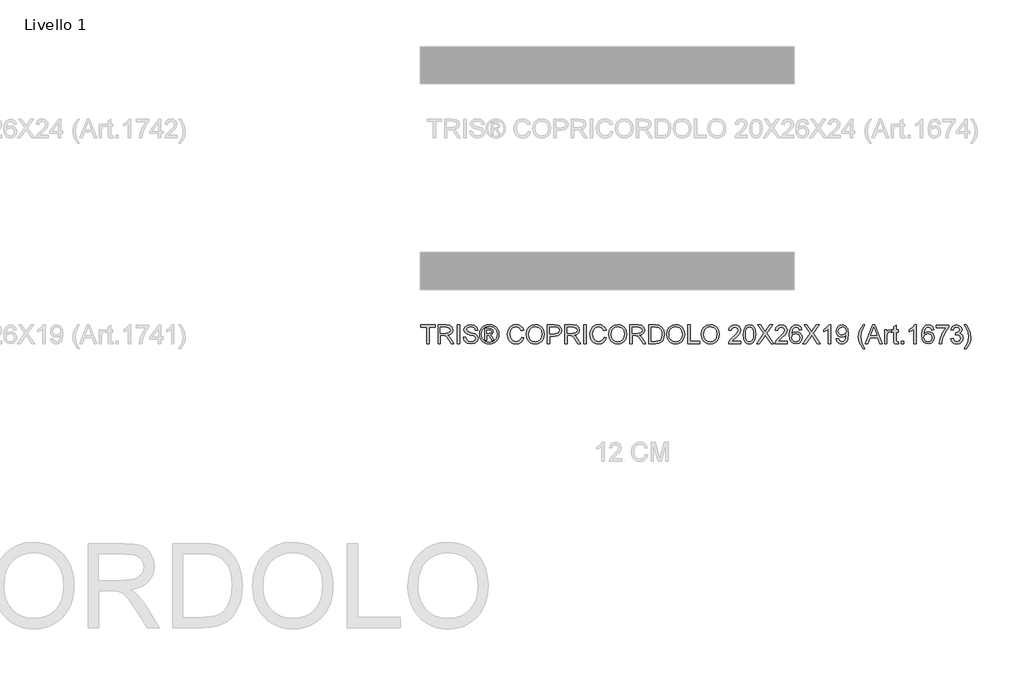
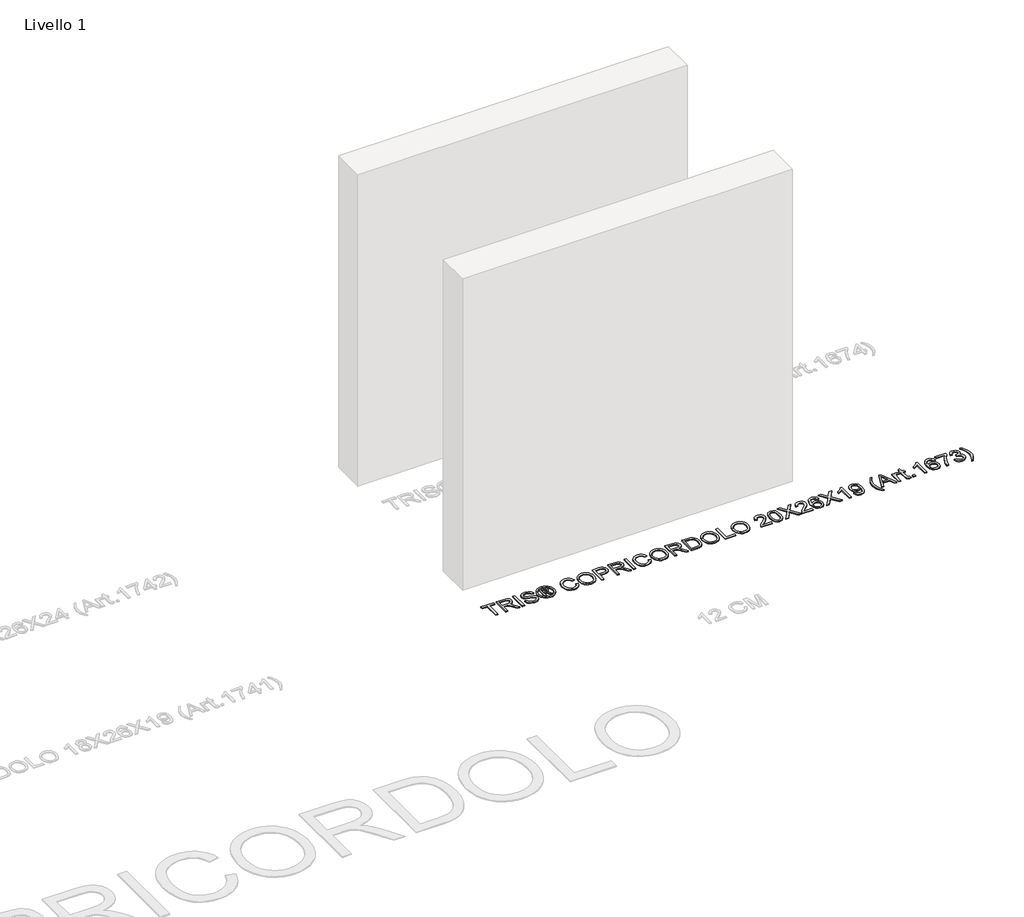
# One storey, part 6 of 19: 1 proxy.
"""IFC4 building model written with IfcOpenShell, lengths in millimetres."""

from ifc_helpers import new_model, si_unit, origin, origin_with_axes, place, context, project, spatial, polyline, outline, extrude, element, save

model = new_model("IFC4")

# Units and contexts
model_context = context("Model", 3, world=origin())
ifc_project = project(units=[si_unit("LENGTHUNIT", "METRE", prefix="MILLI")], contexts=[model_context])

# Site, building, storey
site = spatial("IfcSite", under=ifc_project)
building = spatial("IfcBuilding", under=site)
storey = spatial("IfcBuildingStorey", under=building, Name="Livello 1", Elevation=0.0)

# Proxy
placement = place(None, origin())
element("IfcBuildingElementProxy", 1, Name="100", ObjectType="100", at=placement, inside=storey, context=model_context, shape_type="SweptSolid", body=[
    extrude(outline(polyline([(3099.3895792, -4156.1057849), (3099.3895792, -4068.2065135), (3066.4273524, -4068.2065135), (3066.4273524, -4055.6494748), (3144.9088447, -4055.6494748), (3144.9088447, -4068.2065135), (3111.946618, -4068.2065135), (3111.946618, -4156.1057849), (3099.3895792, -4156.1057849)])), origin_with_axes(), (0.0, 0.0, 1.0), 5.0),
    extrude(outline(polyline([(3159.0355134, -4156.1057849), (3159.0355134, -4055.6494748), (3202.3229615, -4055.6494748), (3222.4215811, -4058.3595388), (3233.40899, -4067.9489961), (3237.5170057, -4083.1425225), (3235.8155514, -4093.0385482), (3230.7111888, -4101.2423167), (3222.0506334, -4107.2571873), (3209.6806014, -4110.5865194), (3216.8175121, -4115.9575965), (3226.9955806, -4128.8825173), (3243.7464741, -4156.1057849), (3229.1538216, -4156.1057849), (3216.0817481, -4135.283664), (3206.6394435, -4121.5003519), (3200.0053049, -4114.9888406), (3194.0333538, -4112.5976076), (3186.7492903, -4112.1561492), (3171.5925521, -4112.1561492), (3171.5925521, -4156.1057849), (3159.0355134, -4156.1057849)]), holes=[polyline([(3171.5925521, -4099.5991105), (3199.6987366, -4099.5991105), (3214.0338716, -4097.8210142), (3222.1763265, -4092.131106), (3224.9599669, -4083.6085064), (3219.6502034, -4072.5475211), (3202.8625217, -4068.2065135), (3171.5925521, -4068.2065135), (3171.5925521, -4099.5991105)])]), origin_with_axes(), (0.0, 0.0, 1.0), 5.0),
    extrude(outline(polyline([(3261.0614534, -4156.1057849), (3261.0614534, -4055.6494748), (3273.6184921, -4055.6494748), (3273.6184921, -4156.1057849), (3261.0614534, -4156.1057849)])), origin_with_axes(), (0.0, 0.0, 1.0), 5.0),
    extrude(outline(polyline([(3294.0236801, -4121.5739283), (3306.5807189, -4121.5739283), (3310.6274208, -4134.1432298), (3320.5111838, -4142.0894809), (3335.5698201, -4145.118376), (3348.6909446, -4142.8252449), (3357.1644932, -4136.5222), (3359.9481337, -4128.0977024), (3357.863469, -4120.2618159), (3349.3286067, -4114.5596449), (3331.0448716, -4109.7649163), (3311.3631848, -4103.572236), (3300.6823442, -4094.2280333), (3297.1629398, -4081.744571), (3301.5162101, -4067.5320632), (3314.2326644, -4057.5011475), (3332.8474933, -4054.0798449), (3352.7131211, -4057.660563), (3365.9568729, -4068.1819881), (3370.9355426, -4083.902812), (3358.3785038, -4083.902812), (3356.07311, -4076.410282), (3351.2661186, -4071.0024167), (3333.3380027, -4066.6368837), (3315.3608358, -4070.9533658), (3309.7199786, -4081.376689), (3313.7176296, -4090.0832295), (3334.2209195, -4097.0975129), (3356.440992, -4103.4005578), (3368.5933605, -4113.5786263), (3372.5051724, -4127.7788713), (3368.0047494, -4142.8007194), (3355.0553031, -4153.7636029), (3336.0603294, -4157.6754148), (3313.6317905, -4153.4570346), (3299.4438082, -4140.752843), (3294.0236801, -4121.5739283)])), origin_with_axes(), (0.0, 0.0, 1.0), 5.0),
    extrude(outline(polyline([(3408.6066589, -4137.2702268), (3408.6066589, -4074.4850329), (3428.8892196, -4074.4850329), (3443.9478559, -4076.2140783), (3451.3668095, -4082.247343), (3454.1259244, -4091.4076047), (3449.367984, -4103.3269814), (3436.7618942, -4109.0168895), (3441.6669875, -4112.352353), (3450.2263753, -4124.8848663), (3457.2651841, -4137.2702268), (3446.6701827, -4137.2702268), (3441.1519527, -4127.3128874), (3431.9058519, -4112.8919132), (3423.8860244, -4110.5865194), (3418.024438, -4110.5865194), (3418.024438, -4137.2702268), (3408.6066589, -4137.2702268)]), holes=[polyline([(3418.024438, -4101.1687403), (3429.9438146, -4101.1687403), (3441.5934111, -4098.7775073), (3444.7081453, -4092.4376743), (3443.2120919, -4087.8759376), (3439.0550254, -4084.8838307), (3429.1835251, -4083.902812), (3418.024438, -4083.902812), (3418.024438, -4101.1687403)])]), origin_with_axes(), (0.0, 0.0, 1.0), 5.0),
    extrude(outline(polyline([(3432.175632, -4054.0798449), (3445.069896, -4055.753708), (3457.6575916, -4060.7752972), (3468.7155112, -4068.9116207), (3477.0204473, -4079.9296865), (3482.2167804, -4092.6522721), (3483.9488915, -4105.9021553), (3482.2413059, -4119.0355425), (3477.1185491, -4131.653895), (3468.9147806, -4142.6321069), (3457.9641599, -4150.8450724), (3445.3550045, -4155.9678292), (3432.175632, -4157.6754148), (3419.0146537, -4155.9678292), (3406.4116296, -4150.8450724), (3395.4518119, -4142.6321069), (3387.2204522, -4131.653895), (3382.0701043, -4119.0355425), (3380.3533217, -4105.9021553), (3382.0946298, -4092.6522721), (3387.3185541, -4079.9296865), (3395.6510813, -4068.9116207), (3406.718198, -4060.7752972), (3419.2997622, -4055.753708), (3432.175632, -4054.0798449)]), holes=[polyline([(3432.175632, -4063.497624), (3411.3535111, -4068.9790657), (3402.3250738, -4075.6407955), (3395.4977971, -4084.6631015), (3389.7711007, -4105.9021553), (3395.3874325, -4126.9572682), (3411.1082565, -4142.6413039), (3432.175632, -4148.2576357), (3453.2552704, -4142.6413039), (3468.9393061, -4126.9572682), (3474.5311124, -4105.9021553), (3468.8412042, -4084.6631015), (3462.0323216, -4075.6407955), (3452.9854902, -4068.9790657), (3432.175632, -4063.497624)])]), origin_with_axes(), (0.0, 0.0, 1.0), 5.0),
    extrude(outline(polyline([(3604.8103896, -4120.3967059), (3617.3674284, -4123.6340675), (3611.573287, -4138.2665738), (3602.4804703, -4148.9566115), (3590.5365682, -4155.495714), (3576.1891704, -4157.6754148), (3561.6241091, -4156.0260772), (3550.057286, -4151.0780643), (3541.1913299, -4143.0030545), (3534.7288696, -4131.972726), (3529.468157, -4105.1173404), (3530.9550134, -4090.4695056), (3535.4155826, -4077.8204964), (3542.6168727, -4067.5719171), (3552.3258917, -4060.1253724), (3563.8405981, -4055.5912268), (3576.4589506, -4054.0798449), (3590.2269342, -4056.0357509), (3601.6098163, -4061.9034687), (3610.2519775, -4071.3212478), (3615.7977986, -4083.9273375), (3603.2407598, -4086.9194444), (3592.9400639, -4071.4806633), (3575.9684412, -4066.6368837), (3556.3235427, -4072.0079608), (3545.2257692, -4086.428935), (3542.0251958, -4105.0928149), (3545.8143804, -4126.7242762), (3557.6111297, -4140.5443765), (3574.9383716, -4145.118376), (3585.4199428, -4143.5610089), (3594.1540745, -4138.8889076), (3600.7483593, -4131.1511229), (3604.8103896, -4120.3967059)])), origin_with_axes(), (0.0, 0.0, 1.0), 5.0),
    extrude(outline(polyline([(3629.9244672, -4107.202005), (3633.2721933, -4084.9880639), (3643.3153718, -4068.1819881), (3658.6499196, -4057.6053807), (3677.8717539, -4054.0798449), (3691.0480607, -4055.7353139), (3702.8632041, -4060.7017208), (3712.6733906, -4068.6295778), (3719.8348268, -4079.169397), (3724.2126225, -4091.8122749), (3725.6718878, -4106.0493081), (3724.1359805, -4120.4764137), (3719.5282585, -4133.2971012), (3712.1031735, -4143.8553145), (3702.1151774, -4151.4949973), (3690.4012015, -4156.1303104), (3677.7981775, -4157.6754148), (3664.4195356, -4155.9678292), (3652.5369472, -4150.8450724), (3642.7512861, -4142.7700626), (3635.6634263, -4132.205718), (3629.9244672, -4107.202005)]), holes=[polyline([(3642.481506, -4107.3246324), (3644.9923006, -4123.0393249), (3652.5246844, -4135.0138839), (3663.8462528, -4142.592253), (3677.7246011, -4145.118376), (3691.8052845, -4142.5677275), (3703.145247, -4134.915782), (3710.6224485, -4122.5733411), (3713.114849, -4105.9512062), (3708.8474179, -4085.2271872), (3696.3762182, -4071.5051888), (3677.9453303, -4066.6368837), (3664.4379297, -4068.9821314), (3652.9538801, -4076.0178746), (3645.0995995, -4088.5350595), (3642.481506, -4107.3246324)])]), origin_with_axes(), (0.0, 0.0, 1.0), 5.0),
    extrude(outline(polyline([(3742.9378161, -4156.1057849), (3742.9378161, -4055.6494748), (3780.167474, -4055.6494748), (3795.1770594, -4056.605968), (3807.3784789, -4061.3025948), (3815.2879418, -4071.0146794), (3818.2800487, -4084.7121524), (3816.2597634, -4096.5518213), (3810.1989076, -4106.4171901), (3798.8650764, -4113.0758542), (3781.0258653, -4115.2954089), (3755.4948549, -4115.2954089), (3755.4948549, -4156.1057849), (3742.9378161, -4156.1057849)]), holes=[polyline([(3755.4948549, -4102.7383702), (3781.7616293, -4102.7383702), (3800.2538309, -4098.1275825), (3804.3557152, -4092.5786957), (3805.7230099, -4085.1536108), (3802.4979111, -4074.7548131), (3794.0243625, -4069.0649049), (3781.4673237, -4068.2065135), (3755.4948549, -4068.2065135), (3755.4948549, -4102.7383702)])]), origin_with_axes(), (0.0, 0.0, 1.0), 5.0),
    extrude(outline(polyline([(3835.545977, -4156.1057849), (3835.545977, -4055.6494748), (3878.8334251, -4055.6494748), (3898.9320448, -4058.3595388), (3909.9194537, -4067.9489961), (3914.0274693, -4083.1425225), (3912.3260151, -4093.0385482), (3907.2216524, -4101.2423167), (3898.5610971, -4107.2571873), (3886.191065, -4110.5865194), (3893.3279757, -4115.9575965), (3903.5060443, -4128.8825173), (3920.2569378, -4156.1057849), (3905.6642853, -4156.1057849), (3892.5922117, -4135.283664), (3883.1499072, -4121.5003519), (3876.5157686, -4114.9888406), (3870.5438175, -4112.5976076), (3863.259754, -4112.1561492), (3848.1030158, -4112.1561492), (3848.1030158, -4156.1057849), (3835.545977, -4156.1057849)]), holes=[polyline([(3848.1030158, -4099.5991105), (3876.2092002, -4099.5991105), (3890.5443353, -4097.8210142), (3898.6867901, -4092.131106), (3901.4704306, -4083.6085064), (3896.1606671, -4072.5475211), (3879.3729854, -4068.2065135), (3848.1030158, -4068.2065135), (3848.1030158, -4099.5991105)])]), origin_with_axes(), (0.0, 0.0, 1.0), 5.0),
    extrude(outline(polyline([(3937.571917, -4156.1057849), (3937.571917, -4055.6494748), (3950.1289558, -4055.6494748), (3950.1289558, -4156.1057849), (3937.571917, -4156.1057849)])), origin_with_axes(), (0.0, 0.0, 1.0), 5.0),
    extrude(outline(polyline([(4045.8763764, -4120.3967059), (4058.4334152, -4123.6340675), (4052.6392737, -4138.2665738), (4043.5464571, -4148.9566115), (4031.602555, -4155.495714), (4017.2551572, -4157.6754148), (4002.6900958, -4156.0260772), (3991.1232728, -4151.0780643), (3982.2573167, -4143.0030545), (3975.7948563, -4131.972726), (3970.5341438, -4105.1173404), (3972.0210002, -4090.4695056), (3976.4815694, -4077.8204964), (3983.6828594, -4067.5719171), (3993.3918784, -4060.1253724), (4004.9065849, -4055.5912268), (4017.5249373, -4054.0798449), (4031.292921, -4056.0357509), (4042.675803, -4061.9034687), (4051.3179642, -4071.3212478), (4056.8637853, -4083.9273375), (4044.3067466, -4086.9194444), (4034.0060507, -4071.4806633), (4017.034428, -4066.6368837), (3997.3895294, -4072.0079608), (3986.2917559, -4086.428935), (3983.0911826, -4105.0928149), (3986.8803671, -4126.7242762), (3998.6771164, -4140.5443765), (4016.0043584, -4145.118376), (4026.4859296, -4143.5610089), (4035.2200613, -4138.8889076), (4041.814346, -4131.1511229), (4045.8763764, -4120.3967059)])), origin_with_axes(), (0.0, 0.0, 1.0), 5.0),
    extrude(outline(polyline([(4070.9904539, -4107.202005), (4074.3381801, -4084.9880639), (4084.3813586, -4068.1819881), (4099.7159064, -4057.6053807), (4118.9377406, -4054.0798449), (4132.1140474, -4055.7353139), (4143.9291908, -4060.7017208), (4153.7393774, -4068.6295778), (4160.9008136, -4079.169397), (4165.2786093, -4091.8122749), (4166.7378745, -4106.0493081), (4165.2019672, -4120.4764137), (4160.5942452, -4133.2971012), (4153.1691603, -4143.8553145), (4143.1811641, -4151.4949973), (4131.4671883, -4156.1303104), (4118.8641642, -4157.6754148), (4105.4855223, -4155.9678292), (4093.6029339, -4150.8450724), (4083.8172728, -4142.7700626), (4076.7294131, -4132.205718), (4070.9904539, -4107.202005)]), holes=[polyline([(4083.5474927, -4107.3246324), (4086.0582873, -4123.0393249), (4093.5906712, -4135.0138839), (4104.9122396, -4142.592253), (4118.7905878, -4145.118376), (4132.8712712, -4142.5677275), (4144.2112337, -4134.915782), (4151.6884353, -4122.5733411), (4154.1808358, -4105.9512062), (4149.9134046, -4085.2271872), (4137.442205, -4071.5051888), (4119.011317, -4066.6368837), (4105.5039164, -4068.9821314), (4094.0198668, -4076.0178746), (4086.1655862, -4088.5350595), (4083.5474927, -4107.3246324)])]), origin_with_axes(), (0.0, 0.0, 1.0), 5.0),
    extrude(outline(polyline([(4184.0038029, -4156.1057849), (4184.0038029, -4055.6494748), (4227.291251, -4055.6494748), (4247.3898706, -4058.3595388), (4258.3772795, -4067.9489961), (4262.4852952, -4083.1425225), (4260.7838409, -4093.0385482), (4255.6794782, -4101.2423167), (4247.0189229, -4107.2571873), (4234.6488909, -4110.5865194), (4241.7858016, -4115.9575965), (4251.9638701, -4128.8825173), (4268.7147636, -4156.1057849), (4254.1221111, -4156.1057849), (4241.0500376, -4135.283664), (4231.607733, -4121.5003519), (4224.9735944, -4114.9888406), (4219.0016433, -4112.5976076), (4211.7175798, -4112.1561492), (4196.5608416, -4112.1561492), (4196.5608416, -4156.1057849), (4184.0038029, -4156.1057849)]), holes=[polyline([(4196.5608416, -4099.5991105), (4224.6670261, -4099.5991105), (4239.0021611, -4097.8210142), (4247.144616, -4092.131106), (4249.9282564, -4083.6085064), (4244.6184929, -4072.5475211), (4227.8308112, -4068.2065135), (4196.5608416, -4068.2065135), (4196.5608416, -4099.5991105)])]), origin_with_axes(), (0.0, 0.0, 1.0), 5.0),
    extrude(outline(polyline([(4284.460113, -4156.1057849), (4284.460113, -4055.6494748), (4319.1145969, -4055.6494748), (4337.0427128, -4057.0964773), (4351.8070436, -4064.2824389), (4363.7018948, -4081.4502654), (4367.6504948, -4105.3380696), (4364.977219, -4125.6083675), (4358.1100884, -4140.2378082), (4348.937564, -4149.3490189), (4336.9323482, -4154.3890023), (4320.7823287, -4156.1057849), (4284.460113, -4156.1057849)]), holes=[polyline([(4297.0171518, -4143.5487462), (4319.2372243, -4143.5487462), (4335.3995066, -4141.7338616), (4344.7191838, -4136.6080392), (4352.3588666, -4124.1368395), (4355.0934561, -4105.1418659), (4353.7537525, -4091.4566556), (4349.7346417, -4081.3521635), (4336.6993563, -4070.2176018), (4318.8938678, -4068.2065135), (4297.0171518, -4068.2065135), (4297.0171518, -4143.5487462)])]), origin_with_axes(), (0.0, 0.0, 1.0), 5.0),
    extrude(outline(polyline([(4380.2075336, -4107.202005), (4383.5552598, -4084.9880639), (4393.5984382, -4068.1819881), (4408.9329861, -4057.6053807), (4428.1548203, -4054.0798449), (4441.3311271, -4055.7353139), (4453.1462705, -4060.7017208), (4462.9564571, -4068.6295778), (4470.1178932, -4079.169397), (4474.495689, -4091.8122749), (4475.9549542, -4106.0493081), (4474.4190469, -4120.4764137), (4469.8113249, -4133.2971012), (4462.38624, -4143.8553145), (4452.3982438, -4151.4949973), (4440.6842679, -4156.1303104), (4428.0812439, -4157.6754148), (4414.702602, -4155.9678292), (4402.8200136, -4150.8450724), (4393.0343525, -4142.7700626), (4385.9464927, -4132.205718), (4380.2075336, -4107.202005)]), holes=[polyline([(4392.7645724, -4107.3246324), (4395.275367, -4123.0393249), (4402.8077509, -4135.0138839), (4414.1293193, -4142.592253), (4428.0076675, -4145.118376), (4442.0883509, -4142.5677275), (4453.4283134, -4134.915782), (4460.9055149, -4122.5733411), (4463.3979155, -4105.9512062), (4459.1304843, -4085.2271872), (4446.6592847, -4071.5051888), (4428.2283967, -4066.6368837), (4414.7209961, -4068.9821314), (4403.2369465, -4076.0178746), (4395.3826659, -4088.5350595), (4392.7645724, -4107.3246324)])]), origin_with_axes(), (0.0, 0.0, 1.0), 5.0),
    extrude(outline(polyline([(4493.2208825, -4156.1057849), (4493.2208825, -4055.6494748), (4505.7779213, -4055.6494748), (4505.7779213, -4143.5487462), (4556.0060764, -4143.5487462), (4556.0060764, -4156.1057849), (4493.2208825, -4156.1057849)])), origin_with_axes(), (0.0, 0.0, 1.0), 5.0),
    extrude(outline(polyline([(4565.4238555, -4107.202005), (4568.7715816, -4084.9880639), (4578.8147601, -4068.1819881), (4594.1493079, -4057.6053807), (4613.3711422, -4054.0798449), (4626.5474489, -4055.7353139), (4638.3625924, -4060.7017208), (4648.1727789, -4068.6295778), (4655.3342151, -4079.169397), (4659.7120108, -4091.8122749), (4661.1712761, -4106.0493081), (4659.6353687, -4120.4764137), (4655.0276467, -4133.2971012), (4647.6025618, -4143.8553145), (4637.6145656, -4151.4949973), (4625.9005898, -4156.1303104), (4613.2975658, -4157.6754148), (4599.9189239, -4155.9678292), (4588.0363354, -4150.8450724), (4578.2506743, -4142.7700626), (4571.1628146, -4132.205718), (4565.4238555, -4107.202005)]), holes=[polyline([(4577.9808942, -4107.3246324), (4580.4916888, -4123.0393249), (4588.0240727, -4135.0138839), (4599.3456411, -4142.592253), (4613.2239894, -4145.118376), (4627.3046727, -4142.5677275), (4638.6446352, -4134.915782), (4646.1218368, -4122.5733411), (4648.6142373, -4105.9512062), (4644.3468061, -4085.2271872), (4631.8756065, -4071.5051888), (4613.4447186, -4066.6368837), (4599.937318, -4068.9821314), (4588.4532683, -4076.0178746), (4580.5989878, -4088.5350595), (4577.9808942, -4107.3246324)])]), origin_with_axes(), (0.0, 0.0, 1.0), 5.0),
    extrude(outline(polyline([(4777.3238847, -4143.5487462), (4777.3238847, -4156.1057849), (4711.3994311, -4156.1057849), (4712.7483318, -4147.4482953), (4720.3757518, -4134.1187043), (4736.0965757, -4119.5628401), (4757.777088, -4098.6426173), (4763.1972161, -4084.4178468), (4758.0836563, -4072.9031403), (4744.7295399, -4068.2065135), (4730.8113377, -4072.7927758), (4725.5260998, -4085.4724419), (4712.969061, -4083.902812), (4716.0132845, -4071.7565748), (4722.5953065, -4062.8844873), (4732.3717705, -4057.4582279), (4744.99932, -4055.6494748), (4757.71884, -4057.660563), (4767.4769099, -4063.6938277), (4773.6849186, -4072.7069366), (4775.7542548, -4083.6575573), (4773.5224374, -4095.5646713), (4766.1034838, -4107.8764554), (4748.1140543, -4125.08107), (4733.6685546, -4137.1598622), (4728.0031719, -4143.5487462), (4777.3238847, -4143.5487462)])), origin_with_axes(), (0.0, 0.0, 1.0), 5.0),
    extrude(outline(polyline([(4789.8809234, -4106.6869702), (4793.5720061, -4077.7837082), (4804.5348896, -4061.1186538), (4822.8431502, -4055.6494748), (4837.5093791, -4058.8868363), (4847.6383967, -4068.2187763), (4853.5245086, -4083.0812089), (4855.805377, -4106.6869702), (4852.1510825, -4135.467605), (4841.2249872, -4152.1694476), (4832.9936276, -4156.298923), (4822.8431502, -4157.6754148), (4809.7956021, -4155.2841818), (4799.8873137, -4148.1104829), (4792.382521, -4131.1204661), (4789.8809234, -4106.6869702)]), holes=[polyline([(4802.4379622, -4106.6624448), (4803.9094902, -4126.4146422), (4808.3240741, -4137.8465752), (4814.8968991, -4143.3004258), (4822.8431502, -4145.118376), (4830.7894013, -4143.2942944), (4837.3622263, -4137.8220498), (4841.7768102, -4126.3839854), (4843.2483382, -4106.6624448), (4841.8258612, -4087.3547714), (4837.55843, -4075.8339336), (4830.9978678, -4070.1133686), (4822.6959974, -4068.2065135), (4814.8355854, -4069.886508), (4808.5202779, -4074.9264913), (4803.9585411, -4087.164699), (4802.4379622, -4106.6624448)])]), origin_with_axes(), (0.0, 0.0, 1.0), 5.0),
    extrude(outline(polyline([(4860.5142665, -4156.1057849), (4899.2399779, -4101.364944), (4866.7927859, -4055.6494748), (4881.8514222, -4055.6494748), (4900.1228947, -4081.376689), (4906.2787867, -4091.4076047), (4913.4892738, -4081.2050107), (4931.5645425, -4055.6494748), (4946.8439081, -4055.6494748), (4914.3967161, -4101.5120968), (4953.1224274, -4156.1057849), (4938.0637911, -4156.1057849), (4912.2630005, -4119.7099929), (4906.8919234, -4112.1561492), (4900.981286, -4120.4457569), (4875.793632, -4156.1057849), (4860.5142665, -4156.1057849)])), origin_with_axes(), (0.0, 0.0, 1.0), 5.0),
    extrude(outline(polyline([(5025.3254004, -4143.5487462), (5025.3254004, -4156.1057849), (4959.4009468, -4156.1057849), (4960.7498475, -4147.4482953), (4968.3772675, -4134.1187043), (4984.0980914, -4119.5628401), (5005.7786037, -4098.6426173), (5011.1987317, -4084.4178468), (5006.085172, -4072.9031403), (4992.7310556, -4068.2065135), (4978.8128534, -4072.7927758), (4973.5276154, -4085.4724419), (4960.9705767, -4083.902812), (4964.0148002, -4071.7565748), (4970.5968222, -4062.8844873), (4980.3732862, -4057.4582279), (4993.0008357, -4055.6494748), (5005.7203557, -4057.660563), (5015.4784256, -4063.6938277), (5021.6864343, -4072.7069366), (5023.7557705, -4083.6575573), (5021.5239531, -4095.5646713), (5014.1049995, -4107.8764554), (4996.1155699, -4125.08107), (4981.6700703, -4137.1598622), (4976.0046875, -4143.5487462), (5025.3254004, -4143.5487462)])), origin_with_axes(), (0.0, 0.0, 1.0), 5.0),
    extrude(outline(polyline([(5102.2372628, -4082.3331822), (5089.680224, -4083.902812), (5084.9222836, -4073.4304379), (5072.3407193, -4068.2065135), (5061.0099539, -4071.2476714), (5052.4383034, -4082.664276), (5048.869848, -4105.043764), (5059.9430961, -4095.025111), (5073.6650945, -4091.7509612), (5085.2656401, -4093.98891), (5095.0022502, -4100.7027565), (5101.6057321, -4110.9605328), (5103.8068927, -4123.8302712), (5099.6620888, -4141.1575132), (5088.257747, -4153.4202464), (5071.8011591, -4157.6754148), (5057.5549288, -4154.8549861), (5046.2088349, -4146.3937003), (5038.7868157, -4131.4576912), (5036.3128093, -4109.2130933), (5039.0596615, -4084.203249), (5047.3002182, -4067.1028676), (5058.5512759, -4058.512823), (5073.1255343, -4055.6494748), (5084.1436, -4057.4214397), (5092.9666365, -4062.7373345), (5099.1470541, -4071.1802263), (5102.2372628, -4082.3331822)]), holes=[polyline([(5048.869848, -4123.6340675), (5051.7761158, -4134.5111118), (5059.5016377, -4142.408312), (5070.8201404, -4145.118376), (5079.1066824, -4143.7142931), (5085.6212594, -4139.5020442), (5089.8427053, -4132.8801683), (5091.2498539, -4124.2472041), (5089.8610994, -4115.9606622), (5085.6948358, -4109.6422889), (5079.0698942, -4105.6415722), (5070.3051056, -4104.308), (5055.1115792, -4109.6422889), (5050.4302808, -4115.807378), (5048.869848, -4123.6340675)])]), origin_with_axes(), (0.0, 0.0, 1.0), 5.0),
    extrude(outline(polyline([(5108.5157822, -4156.1057849), (5147.2414936, -4101.364944), (5114.7943016, -4055.6494748), (5129.8529379, -4055.6494748), (5148.1244103, -4081.376689), (5154.2803024, -4091.4076047), (5161.4907895, -4081.2050107), (5179.5660582, -4055.6494748), (5194.8454237, -4055.6494748), (5162.3982318, -4101.5120968), (5201.1239431, -4156.1057849), (5186.0653068, -4156.1057849), (5160.2645162, -4119.7099929), (5154.8934391, -4112.1561492), (5148.9828017, -4120.4457569), (5123.7951477, -4156.1057849), (5108.5157822, -4156.1057849)])), origin_with_axes(), (0.0, 0.0, 1.0), 5.0),
    extrude(outline(polyline([(5256.0609877, -4156.1057849), (5243.503949, -4156.1057849), (5243.503949, -4077.8204964), (5231.6090978, -4086.294045), (5218.3898714, -4092.633878), (5218.3898714, -4080.7635523), (5236.7962339, -4069.0158539), (5247.9675838, -4055.6494748), (5256.0609877, -4055.6494748), (5256.0609877, -4156.1057849)])), origin_with_axes(), (0.0, 0.0, 1.0), 5.0),
    extrude(outline(polyline([(5287.4535847, -4130.9917074), (5300.0106234, -4129.4220775), (5305.6514807, -4141.4027679), (5316.344584, -4145.118376), (5326.5103898, -4142.727143), (5333.4020458, -4136.3382591), (5337.5100615, -4125.4244265), (5339.324946, -4110.8562995), (5339.2513696, -4108.4037529), (5329.2081911, -4117.9196338), (5315.4371418, -4121.5739283), (5303.9868147, -4119.3421109), (5294.4556053, -4112.6466586), (5288.0268674, -4102.3030431), (5285.8839548, -4089.1267363), (5288.1311007, -4075.5151025), (5294.8725382, -4064.8465247), (5304.9984901, -4057.9487372), (5317.3991791, -4055.6494748), (5335.2905068, -4060.8979246), (5347.6022909, -4075.858459), (5351.8084083, -4103.9646435), (5347.6145536, -4134.4620609), (5342.3998263, -4144.4531227), (5335.143354, -4151.7402519), (5326.1578362, -4156.1916241), (5315.7559728, -4157.6754148), (5305.0199499, -4155.9249096), (5296.4544308, -4150.6733941), (5290.4640856, -4142.2519621), (5287.4535847, -4130.9917074)]), holes=[polyline([(5339.2513696, -4088.8324307), (5337.8963376, -4080.3220939), (5333.8312415, -4073.7737944), (5327.5220653, -4069.5983338), (5319.4347928, -4068.2065135), (5311.0470833, -4069.7056327), (5304.3271055, -4074.2029901), (5299.9125216, -4081.0854491), (5298.4409936, -4089.739873), (5299.8328138, -4097.4991174), (5304.0082744, -4103.6580751), (5310.5627053, -4107.6771859), (5319.0914362, -4109.0168895), (5333.5737241, -4103.6580751), (5337.8319582, -4097.2722568), (5339.2513696, -4088.8324307)])]), origin_with_axes(), (0.0, 0.0, 1.0), 5.0),
    extrude(outline(polyline([(5430.2899006, -4184.3591222), (5412.4598866, -4154.9040371), (5406.996839, -4137.7239479), (5405.1758231, -4119.9307221), (5410.6204766, -4089.3965165), (5430.2899006, -4055.6494748), (5439.7076797, -4055.6494748), (5427.9599813, -4075.539628), (5420.896647, -4094.8166445), (5417.7328619, -4120.0042985), (5423.2265663, -4152.193973), (5439.7076797, -4184.3591222), (5430.2899006, -4184.3591222)])), origin_with_axes(), (0.0, 0.0, 1.0), 5.0),
    extrude(outline(polyline([(5442.1357009, -4156.1057849), (5482.2348384, -4055.6494748), (5492.9279417, -4055.6494748), (5533.0270792, -4156.1057849), (5519.7588019, -4156.1057849), (5508.2563582, -4124.713188), (5466.8818964, -4124.713188), (5455.4039782, -4156.1057849), (5442.1357009, -4156.1057849)]), holes=[polyline([(5471.4926841, -4112.1561492), (5503.670096, -4112.1561492), (5494.6201989, -4087.4590046), (5487.58139, -4068.2065135), (5481.3273961, -4085.3007636), (5471.4926841, -4112.1561492)])]), origin_with_axes(), (0.0, 0.0, 1.0), 5.0),
    extrude(outline(polyline([(5544.8728794, -4156.1057849), (5544.8728794, -4082.3331822), (5555.8602883, -4082.3331822), (5555.8602883, -4093.2470147), (5563.6593866, -4083.1915735), (5571.5075359, -4080.7635523), (5584.1136256, -4084.638576), (5579.9197708, -4095.895765), (5571.0906029, -4093.3205911), (5563.9904804, -4095.7976632), (5559.4655319, -4102.6647938), (5557.4299182, -4117.3310226), (5557.4299182, -4156.1057849), (5544.8728794, -4156.1057849)])), origin_with_axes(), (0.0, 0.0, 1.0), 5.0),
    extrude(outline(polyline([(5618.6454822, -4145.6334108), (5620.215112, -4156.4736669), (5610.8218584, -4157.6754148), (5600.3004333, -4155.5907501), (5595.0519836, -4150.1215711), (5593.5314046, -4135.8722752), (5593.5314046, -4094.8902209), (5584.1136256, -4094.8902209), (5584.1136256, -4082.3331822), (5593.5314046, -4082.3331822), (5593.5314046, -4064.4050663), (5606.0884434, -4057.0229009), (5606.0884434, -4082.3331822), (5618.6454822, -4082.3331822), (5618.6454822, -4094.8902209), (5606.0884434, -4094.8902209), (5606.0884434, -4135.5043932), (5606.750631, -4141.9791163), (5608.8966093, -4144.2722474), (5613.1763032, -4145.118376), (5618.6454822, -4145.6334108)])), origin_with_axes(), (0.0, 0.0, 1.0), 5.0),
    extrude(outline(polyline([(5634.3417806, -4156.1057849), (5634.3417806, -4143.5487462), (5646.8988194, -4143.5487462), (5646.8988194, -4156.1057849), (5634.3417806, -4156.1057849)])), origin_with_axes(), (0.0, 0.0, 1.0), 5.0),
    extrude(outline(polyline([(5714.3929028, -4156.1057849), (5701.835864, -4156.1057849), (5701.835864, -4077.8204964), (5689.9410128, -4086.294045), (5676.7217865, -4092.633878), (5676.7217865, -4080.7635523), (5695.128149, -4069.0158539), (5706.2994989, -4055.6494748), (5714.3929028, -4055.6494748), (5714.3929028, -4156.1057849)])), origin_with_axes(), (0.0, 0.0, 1.0), 5.0),
    extrude(outline(polyline([(5808.5706936, -4082.3331822), (5796.0136548, -4083.902812), (5791.2557143, -4073.4304379), (5778.6741501, -4068.2065135), (5767.3433846, -4071.2476714), (5758.7717341, -4082.664276), (5755.2032788, -4105.043764), (5766.2765268, -4095.025111), (5779.9985253, -4091.7509612), (5791.5990708, -4093.98891), (5801.335681, -4100.7027565), (5807.9391628, -4110.9605328), (5810.1403234, -4123.8302712), (5805.9955196, -4141.1575132), (5794.5911777, -4153.4202464), (5778.1345898, -4157.6754148), (5763.8883596, -4154.8549861), (5752.5422657, -4146.3937003), (5745.1202464, -4131.4576912), (5742.64624, -4109.2130933), (5745.3930922, -4084.203249), (5753.6336489, -4067.1028676), (5764.8847066, -4058.512823), (5779.458965, -4055.6494748), (5790.4770308, -4057.4214397), (5799.3000673, -4062.7373345), (5805.4804848, -4071.1802263), (5808.5706936, -4082.3331822)]), holes=[polyline([(5755.2032788, -4123.6340675), (5758.1095465, -4134.5111118), (5765.8350684, -4142.408312), (5777.1535712, -4145.118376), (5785.4401131, -4143.7142931), (5791.9546901, -4139.5020442), (5796.176136, -4132.8801683), (5797.5832846, -4124.2472041), (5796.1945301, -4115.9606622), (5792.0282665, -4109.6422889), (5785.4033249, -4105.6415722), (5776.6385364, -4104.308), (5761.44501, -4109.6422889), (5756.7637116, -4115.807378), (5755.2032788, -4123.6340675)])]), origin_with_axes(), (0.0, 0.0, 1.0), 5.0),
    extrude(outline(polyline([(5821.1277323, -4069.7761434), (5821.1277323, -4057.2191046), (5887.0521859, -4057.2191046), (5887.0521859, -4067.3726477), (5868.3515178, -4094.3874489), (5854.0409082, -4128.8089409), (5849.3810696, -4156.1057849), (5836.8240308, -4156.1057849), (5841.8149632, -4127.7788713), (5855.5124361, -4095.760875), (5874.4951471, -4069.7761434), (5821.1277323, -4069.7761434)])), origin_with_axes(), (0.0, 0.0, 1.0), 5.0),
    extrude(outline(polyline([(5898.0395948, -4129.4220775), (5910.5966335, -4127.8524477), (5917.5250778, -4141.0716741), (5930.4867868, -4145.118376), (5939.0952254, -4143.7265558), (5945.7416268, -4139.5510951), (5951.4070095, -4125.7677831), (5945.7906778, -4112.7815486), (5931.5168563, -4107.6434634), (5922.7122139, -4109.0168895), (5924.1101655, -4096.4598508), (5926.1212537, -4096.6070036), (5940.3705497, -4093.00176), (5945.1162274, -4088.4277605), (5946.69812, -4081.9162492), (5942.1118578, -4072.0938), (5930.290583, -4068.2065135), (5918.3221554, -4072.1305882), (5912.1662634, -4083.902812), (5899.6092246, -4082.3331822), (5903.3064387, -4071.057599), (5909.885395, -4062.6392327), (5918.8862412, -4057.3969143), (5929.8491246, -4055.6494748), (5944.9936001, -4059.0953028), (5955.5886016, -4068.5130819), (5959.2551588, -4081.1804852), (5955.7725426, -4092.7565054), (5945.4718467, -4101.0706384), (5959.1570569, -4109.6545517), (5963.9640483, -4125.9885123), (5961.5605526, -4138.22672), (5954.3500655, -4148.4538394), (5943.4668898, -4155.3700209), (5930.0453284, -4157.6754148), (5917.9052225, -4155.7072461), (5908.0214596, -4149.8027401), (5901.1481976, -4140.7712371), (5898.0395948, -4129.4220775)])), origin_with_axes(), (0.0, 0.0, 1.0), 5.0),
    extrude(outline(polyline([(5981.2299766, -4184.3591222), (5971.8121975, -4184.3591222), (5988.2933109, -4152.193973), (5993.7870154, -4120.0042985), (5990.6232302, -4095.0373737), (5983.6334723, -4075.7358317), (5971.8121975, -4055.6494748), (5981.2299766, -4055.6494748), (6000.8994006, -4089.3965165), (6006.3440542, -4119.9307221), (6004.5138412, -4137.7239479), (5999.0232025, -4154.9040371), (5981.2299766, -4184.3591222)])), origin_with_axes(), (0.0, 0.0, 1.0), 5.0),
])

save(model, "model.ifc")
